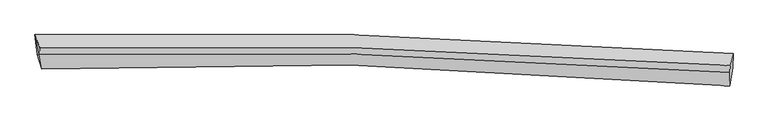
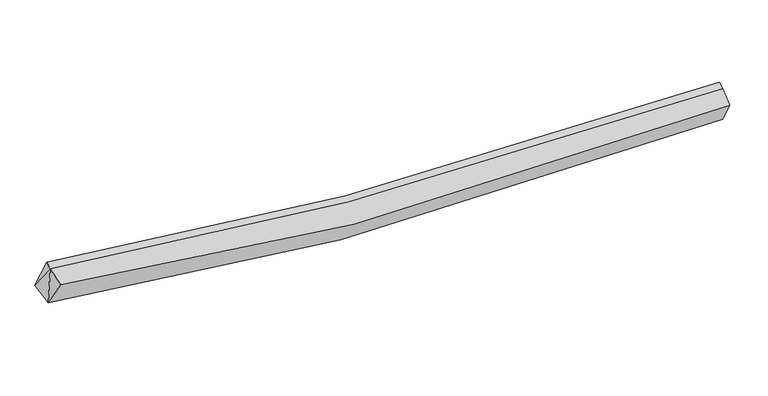
"""IFC4 building model written with IfcOpenShell, lengths in millimetres: proxy geometry."""

from ifc_helpers import new_model, si_unit, frame, origin, place, context, project, spatial, source, transform, mapped, element, save
from ifc_brep_helpers import plane_surface, spline_curve, spline_surface, advanced_brep


def generic_models_c60b3360(model_context):
    return source(origin(), model_context, "Body", "AdvancedBrep", [
        advanced_brep(
        [(-6538.7463852, -2000.6336496, 3135.988083), (-6585.8506973, -1588.9478863, 3308.9301225), (7900.8875611, -1983.5499659, 2654.7573058), (7893.5936595, -2278.8691429, 2454.0295747), (-6439.0603502, -2300.9810952, 3696.2480987), (7829.1457399, -2657.6954637, 3029.5652016), (-6490.7698566, -1996.7368591, 3902.8937471), (7835.6688192, -2375.9875994, 3227.6135003), (-6484.5406936, -1852.8641049, 3960.2246125), (7841.8979822, -2232.1148451, 3284.9443656)],
        [
            (0, 1),
            (1, 2, spline_curve(3, [(-6585.8506973, -1588.9478863, 3308.9301225), (-4421.649495681, -1541.31831159, 2941.481459017), (-2252.346007246, -1541.844210048, 2695.317159138), (2574.079114764, -1649.899933759, 2418.127105946), (5233.68837839, -1780.908062752, 2446.233799041), (7900.8875611, -1983.5499659, 2654.7573058)], [4, 2, 4], [0.0, 21.469047713892277, 47.65382448812714])),
            (2, 3),
            (3, 0, spline_curve(3, [(7893.5936595, -2278.8691429, 2454.0295747), (5194.100173634, -2015.439260396, 2134.171067072), (2525.416415417, -1868.756284566, 2058.70203757), (-2275.265568939, -1814.275460401, 2366.121327683), (-4417.361825028, -1868.213272495, 2668.909858991), (-6538.7463852, -2000.6336496, 3135.988083)], [4, 2, 4], [0.0, 26.184776774234866, 47.65382448812714])),
            (4, 0),
            (3, 5),
            (5, 4, spline_curve(3, [(7829.1457399, -2657.6954637, 3029.5652016), (5180.771251176, -2415.05020477, 2711.744832911), (2551.636507903, -2269.832835301, 2635.656655299), (-2198.12627317, -2182.86048937, 2937.113134804), (-4325.060226748, -2209.173068843, 3235.428946003), (-6439.0603502, -2300.9810952, 3696.2480987)], [4, 2, 4], [0.0, 26.01410681465164, 47.343221255970604])),
            (6, 4),
            (5, 7),
            (7, 6, spline_curve(3, [(7835.6688192, -2375.9875994, 3227.6135003), (5222.084798726, -2178.686906175, 3026.66840801), (2602.763224959, -2051.630100626, 3004.10025103), (-2174.596843921, -1948.235947494, 3287.657535889), (-4330.754828349, -1948.875839365, 3535.319108507), (-6490.7698566, -1996.7368591, 3902.8937471)], [4, 2, 4], [0.0, 25.890669117641878, 47.11857628766559])),
            (8, 6),
            (7, 9),
            (9, 8, spline_curve(3, [(7841.8979822, -2232.1148451, 3284.9443656), (5228.313962113, -2034.814151734, 3083.999273297), (2608.992388147, -1907.757345936, 3061.43111677), (-2168.367681075, -1804.363193697, 3344.98840101), (-4324.525665327, -1805.003085341, 3592.649973896), (-6484.5406936, -1852.8641049, 3960.2246125)], [4, 2, 4], [0.0, 25.920684119414318, 47.17320076045782])),
            (1, 8),
            (9, 2),
            (1, 6),
            (6, 0),
        ],
        [
            spline_surface(3, 3, [[(-6538.7463852, -2000.6336496, 3135.988083), (-4417.361824948, -1868.213272305, 2668.90985913), (-2275.265568644, -1814.275460623, 2366.121327365), (2525.416415057, -1868.756284295, 2058.702037958), (5194.100173632, -2015.439260362, 2134.171066916), (7893.5936595, -2278.8691429, 2454.0295747)], [(-6554.44782256, -1863.405061839, 3193.635429506), (-4418.791048612, -1759.248285482, 2759.767058986), (-2267.625714827, -1723.465043709, 2475.853271367), (2541.637314902, -1795.804167515, 2178.510393814), (5207.296241965, -1937.262194361, 2238.191977687), (7896.024960047, -2180.429417204, 2520.938818392)], [(-6570.14925994, -1726.176474061, 3251.282775994), (-4420.220272296, -1650.283298642, 2850.624258823), (-2259.985860962, -1632.654626799, 2585.585215431), (2557.858214796, -1722.852050738, 2298.318749731), (5220.492310257, -1859.085128449, 2342.21288848), (7898.456260553, -2081.989691596, 2587.848062108)], [(-6585.8506973, -1588.9478863, 3308.9301225), (-4421.64949596, -1541.318311819, 2941.481458678), (-2252.346007145, -1541.844209885, 2695.317159433), (2574.079114641, -1649.899933958, 2418.127105586), (5233.68837859, -1780.908062448, 2446.233799251), (7900.8875611, -1983.5499659, 2654.7573058)]], [4, 4], [4, 2, 4], [0.0, 1.3890783318651618], [0.0, 21.469047713892277, 47.65382448812714]),
            spline_surface(3, 3, [[(-6439.0603502, -2300.9810952, 3696.2480987), (-4325.060226451, -2209.173069009, 3235.428945935), (-2198.126272997, -2182.86048926, 2937.113135104), (2551.636507692, -2269.832835434, 2635.656654933), (5180.77125092, -2415.050204666, 2711.744833337), (7829.1457399, -2657.6954637, 3029.5652016)], [(-6472.289028552, -2200.865279988, 3509.494760138), (-4355.827425968, -2095.519803429, 3046.589250338), (-2223.839371557, -2059.998813069, 2746.782532546), (2542.896476803, -2136.140651742, 2443.338449297), (5185.214225141, -2281.846556568, 2519.220244525), (7850.62837975, -2531.420023437, 2837.719992628)], [(-6505.517706848, -2100.749464812, 3322.741421562), (-4386.594625431, -1981.866537885, 2857.749554727), (-2249.552470085, -1937.137136814, 2556.451929923), (2534.156445945, -2002.448467987, 2251.020243595), (5189.657199412, -2148.64290846, 2326.695655728), (7872.11101965, -2405.144583163, 2645.874783672)], [(-6538.7463852, -2000.6336496, 3135.988083), (-4417.361824948, -1868.213272305, 2668.90985913), (-2275.265568644, -1814.275460623, 2366.121327365), (2525.416415057, -1868.756284295, 2058.702037958), (5194.100173632, -2015.439260362, 2134.171066916), (7893.5936595, -2278.8691429, 2454.0295747)]], [4, 4], [4, 2, 4], [0.0, 2.2787391027910684], [0.0, 21.329114441318964, 47.343221255970604]),
            spline_surface(3, 3, [[(-6490.7698566, -1996.7368591, 3902.8937471), (-4330.75482819, -1948.875839713, 3535.319108158), (-2174.59684377, -1948.235947549, 3287.65753581), (2602.763224774, -2051.63010056, 3004.100251127), (5222.084798995, -2178.686906183, 3026.668407923), (7835.6688192, -2375.9875994, 3227.6135003)], [(-6473.533354468, -2098.151604474, 3834.011864277), (-4328.856627611, -2035.641582819, 3435.355720728), (-2182.439986831, -2026.444128102, 3170.809402226), (2585.720985762, -2124.364345501, 2881.285719048), (5208.313616331, -2257.474672372, 2921.693883092), (7833.494459461, -2469.890220862, 3161.597400765)], [(-6456.296852332, -2199.566349826, 3765.129981523), (-4326.958427029, -2122.407325903, 3335.392333366), (-2190.283129937, -2104.652308707, 3053.961268687), (2568.678746704, -2197.098590493, 2758.471187013), (5194.542433584, -2336.262438476, 2816.719358168), (7831.320099639, -2563.792842238, 3095.581301135)], [(-6439.0603502, -2300.9810952, 3696.2480987), (-4325.060226451, -2209.173069009, 3235.428945935), (-2198.126272997, -2182.86048926, 2937.113135104), (2551.636507692, -2269.832835434, 2635.656654933), (5180.77125092, -2415.050204666, 2711.744833337), (7829.1457399, -2657.6954637, 3029.5652016)]], [4, 4], [4, 2, 4], [0.0, 1.3988290498749896], [0.0, 21.227907170023713, 47.11857628766559]),
            spline_surface(3, 3, [[(-6484.5406936, -1852.8641049, 3960.2246125), (-4324.52566519, -1805.003085513, 3592.649973558), (-2168.36768077, -1804.363193349, 3344.98840121), (2608.992387774, -1907.75734636, 3061.431116527), (5228.313961995, -2034.814151883, 3083.999273223), (7841.8979822, -2232.1148451, 3284.9443656)], [(-6486.617081263, -1900.821689637, 3941.114324043), (-4326.602052852, -1852.96067025, 3573.539685102), (-2170.444068433, -1852.320778086, 3325.878112753), (2606.916000111, -1955.714931097, 3042.32082807), (5226.237574332, -2082.77173662, 3064.888984766), (7839.821594537, -2280.072429837, 3265.834077143)], [(-6488.693468937, -1948.779274363, 3922.004035557), (-4328.678440527, -1900.918254976, 3554.429396615), (-2172.520456107, -1900.278362811, 3306.767824266), (2604.839612437, -2003.672515823, 3023.210539584), (5224.161186658, -2130.729321446, 3045.77869638), (7837.745206863, -2328.030014663, 3246.723788757)], [(-6490.7698566, -1996.7368591, 3902.8937471), (-4330.75482819, -1948.875839713, 3535.319108158), (-2174.59684377, -1948.235947549, 3287.65753581), (2602.763224774, -2051.63010056, 3004.100251127), (5222.084798995, -2178.686906183, 3026.668407923), (7835.6688192, -2375.9875994, 3227.6135003)]], [4, 4], [4, 2, 4], [0.0, 0.5085301837270377], [0.0, 21.2525166410435, 47.17320076045782]),
            spline_surface(3, 3, [[(-6585.8506973, -1588.9478863, 3308.9301225), (-4421.64949596, -1541.318311819, 2941.481458678), (-2252.346007145, -1541.844209885, 2695.317159433), (2574.079114641, -1649.899933958, 2418.127105586), (5233.68837859, -1780.908062448, 2446.233799251), (7900.8875611, -1983.5499659, 2654.7573058)], [(-6552.080696057, -1676.919959161, 3526.028285836), (-4389.274885694, -1629.213236379, 3158.537630307), (-2224.353231679, -1629.3505377, 2911.874240029), (2585.716872359, -1735.852404752, 2632.561775904), (5231.896906363, -1865.54342562, 2658.82229058), (7881.224368105, -2066.40492566, 2864.819659072)], [(-6518.310694843, -1764.892032039, 3743.126449164), (-4356.900275456, -1717.108160954, 3375.59380193), (-2196.360456236, -1716.856865534, 3128.431320613), (2597.354630056, -1821.804875566, 2846.99644621), (5230.105434222, -1950.178788711, 2871.410781894), (7861.561175195, -2149.25988534, 3074.882012328)], [(-6484.5406936, -1852.8641049, 3960.2246125), (-4324.52566519, -1805.003085513, 3592.649973558), (-2168.36768077, -1804.363193349, 3344.98840121), (2608.992387774, -1907.75734636, 3061.431116527), (5228.313961995, -2034.814151883, 3083.999273223), (7841.8979822, -2232.1148451, 3284.9443656)]], [4, 4], [4, 2, 4], [0.0, 2.290611806925492], [0.0, 21.370795966979408, 47.435739756776535]),
            plane_surface(frame((7860.2387524, -2305.6434034, 2930.1819896), z_axis=(0.9954192371333539, -0.06933075445986206, 0.06583151852174109), x_axis=(-0.018939326887299053, -0.8179200579096414, -0.5750200698811695))),
            plane_surface(frame((-6520.3870825, -1812.8496168, 3724.0161607), z_axis=(-0.9889511792511143, -0.01591250025020128, 0.1473850650290515), x_axis=(0.13083521430850725, -0.5611346853202378, 0.817318794368149))),
            plane_surface(frame((-6489.5255307, -2099.4505346, 3578.3766429), z_axis=(-0.9761330563047353, -0.20809854303750458, 0.06212288446977059), x_axis=(0.15492255549493109, -0.46677143682680455, 0.8707028353930867))),
            plane_surface(frame((-6538.4556464, -1862.1061317, 3449.2706509), z_axis=(-0.9882675502278693, -0.1393445976869351, 0.06253264956862345), x_axis=(0.10490627632513018, -0.9168676610333769, -0.38516018140350416))),
        ],
        [
            (0, [[1, 2, 3, 4]]),
            (1, [[5, -4, 6, 7]]),
            (2, [[8, -7, 9, 10]]),
            (3, [[11, -10, 12, 13]]),
            (4, [[14, -13, 15, -2]]),
            (5, [[-9, -6, -3, -15, -12]]),
            (6, [[16, -11, -14]]),
            (7, [[-5, -8, 17]]),
            (8, [[-1, -17, -16]]),
        ],
    ),
    ])


if __name__ == "__main__":
    model = new_model("IFC4")
    model_context = context("Model", 3, world=origin())
    ifc_project = project(units=[si_unit("LENGTHUNIT", "METRE", prefix="MILLI")], contexts=[model_context])
    site = spatial("IfcSite", under=ifc_project)
    building = spatial("IfcBuilding", under=site)
    placement = place(None, origin())
    generic_models_shape = generic_models_c60b3360(model_context)
    element("IfcBuildingElementProxy", 1, Name="Generic Models", at=placement, inside=building, context=model_context, shape_type="MappedRepresentation", body=[
        mapped(generic_models_shape, transform((0.0, 0.0, 0.0), x_axis=(1.0, 0.0, 0.0), y_axis=(0.0, 1.0, 0.0), z_axis=(0.0, 0.0, 1.0))),
    ])
    save(model, "model.ifc")
